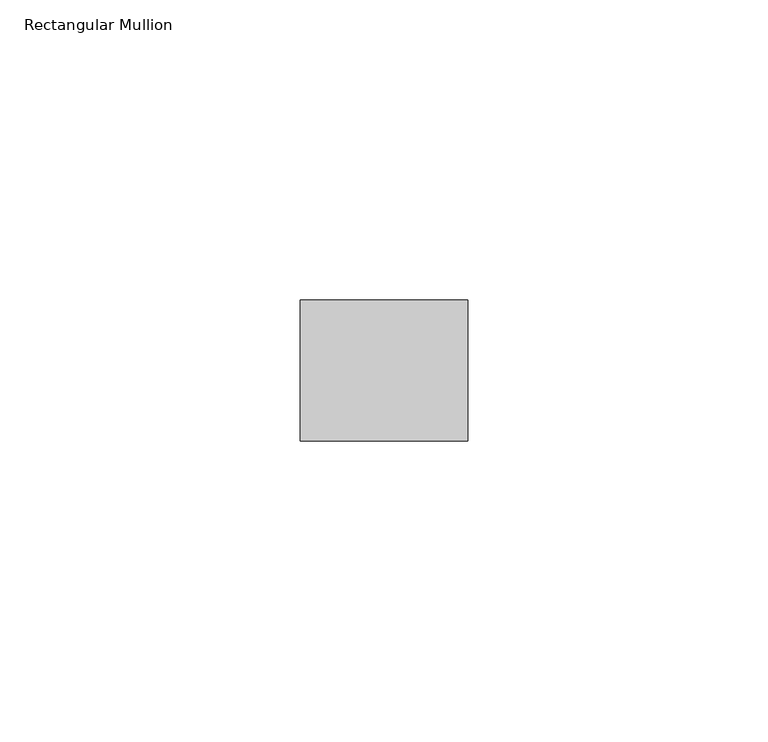
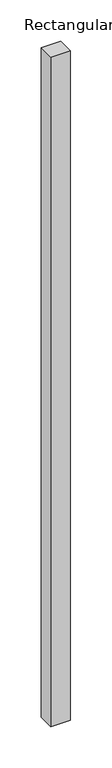
"""IFC4 building model written with IfcOpenShell, lengths in millimetres: member geometry, Rectangular Mullion."""

from ifc_helpers import new_model, si_unit, frame, origin, place, context, project, spatial, polyline, outline, extrude, source, transform, mapped, element, save


def rectangular_mullion_91a39b9e(model_context):
    return source(origin(), model_context, "Body", "SweptSolid", [
        extrude(outline(polyline([(0.0, -11.7474999), (-27.94, -11.7474999), (-27.94, 11.7474999), (0.0, 11.7474999), (0.0, -11.7474999)])), frame((0.0, 0.0, -996.95), z_axis=(0.0, 0.0, 1.0), x_axis=(1.0, 0.0, 0.0)), (0.0, 0.0, 1.0), 996.95),
    ])


if __name__ == "__main__":
    model = new_model("IFC4")
    model_context = context("Model", 3, world=origin())
    ifc_project = project(units=[si_unit("LENGTHUNIT", "METRE", prefix="MILLI")], contexts=[model_context])
    site = spatial("IfcSite", under=ifc_project)
    building = spatial("IfcBuilding", under=site)
    placement = place(None, origin())
    rectangular_mullion_shape = rectangular_mullion_91a39b9e(model_context)
    element("IfcMember", 1, ObjectType="Rectangular Mullion", at=placement, inside=building, context=model_context, shape_type="MappedRepresentation", body=[
        mapped(rectangular_mullion_shape, transform((0.0, 0.0, 0.0), x_axis=(1.0, 0.0, 0.0), y_axis=(0.0, 1.0, 0.0), z_axis=(0.0, 0.0, 1.0))),
    ])
    save(model, "model.ifc")
